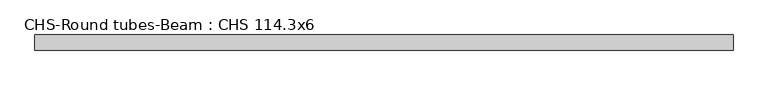
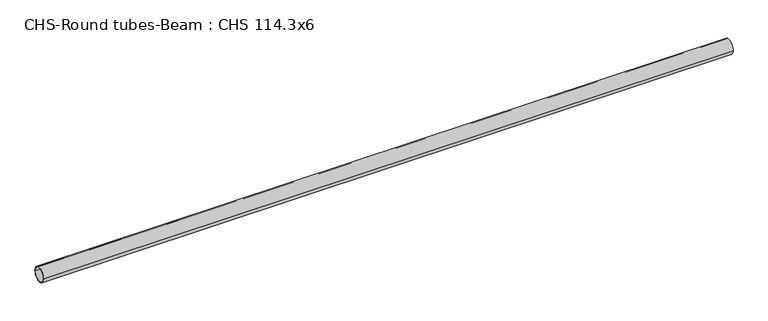
"""IFC4 building model written with IfcOpenShell, lengths in millimetres: beam geometry, CHS-Round tubes-Beam : CHS 114.3x6."""

from ifc_helpers import new_model, si_unit, point, frame, origin, origin_2d, place, context, project, spatial, circle_curve, trimmed, segment, composite_curve, outline, extrude, source, transform, mapped, element, save


def chs_round_tubes_beam_chs_114_3x6_6c94aa83(model_context):
    return source(origin(), model_context, "Body", "SweptSolid", [
        extrude(outline(composite_curve([segment(trimmed(circle_curve(origin_2d(), 57.15), [point((57.15, 0.0))], [point((-57.15, 0.0))], False, "CARTESIAN"), True, "CONTINUOUS"), segment(trimmed(circle_curve(origin_2d(), 57.15), [point((-57.15, 0.0))], [point((57.15, 0.0))], False, "CARTESIAN"), True, "CONTINUOUS")], self_intersect=False), holes=[composite_curve([segment(trimmed(circle_curve(origin_2d(), 51.15), [point((51.15, 0.0))], [point((-51.15, 0.0))], True, "CARTESIAN"), True, "CONTINUOUS"), segment(trimmed(circle_curve(origin_2d(), 51.15), [point((-51.15, 0.0))], [point((51.15, 0.0))], True, "CARTESIAN"), True, "CONTINUOUS")], self_intersect=False)]), frame((-2672.8898058, 0.0, 0.0), z_axis=(1.0, 0.0, 0.0), x_axis=(0.0, 1.0, 0.0)), (0.0, 0.0, 1.0), 5279.9980332),
    ])


if __name__ == "__main__":
    model = new_model("IFC4")
    model_context = context("Model", 3, world=origin())
    ifc_project = project(units=[si_unit("LENGTHUNIT", "METRE", prefix="MILLI")], contexts=[model_context])
    site = spatial("IfcSite", under=ifc_project)
    building = spatial("IfcBuilding", under=site)
    placement = place(None, origin())
    chs_round_tubes_beam_chs_114_3x6_shape = chs_round_tubes_beam_chs_114_3x6_6c94aa83(model_context)
    element("IfcBeam", 1, ObjectType="CHS-Round tubes-Beam : CHS 114.3x6", at=placement, inside=building, context=model_context, shape_type="MappedRepresentation", body=[
        mapped(chs_round_tubes_beam_chs_114_3x6_shape, transform((0.0, 0.0, 0.0), x_axis=(1.0, 0.0, 0.0), y_axis=(0.0, 1.0, 0.0), z_axis=(0.0, 0.0, 1.0))),
    ])
    save(model, "model.ifc")
